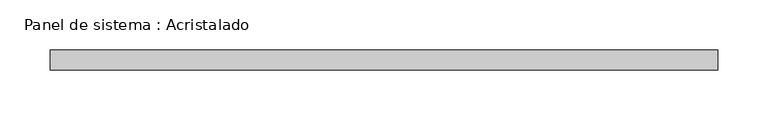
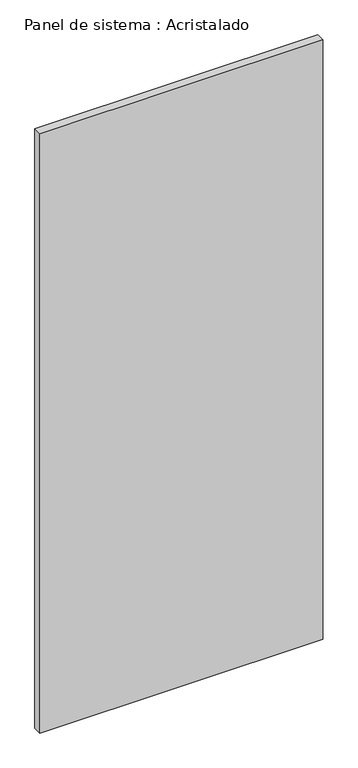
"""IFC4 building model written with IfcOpenShell, lengths in millimetres: plate geometry, Panel de sistema : Acristalado."""

from ifc_helpers import new_model, si_unit, origin, origin_with_axes, place, context, project, spatial, polyline, outline, extrude, source, transform, mapped, element, save


def panel_de_sistema_acristalado_a9873873(model_context):
    return source(origin(), model_context, "Body", "SweptSolid", [
        extrude(outline(polyline([(331.5, -10.0), (-331.5, -10.0), (-331.5, 10.0), (331.5, 10.0), (331.5, -10.0)])), origin_with_axes(), (0.0, 0.0, 1.0), 1484.7728258),
    ])


if __name__ == "__main__":
    model = new_model("IFC4")
    model_context = context("Model", 3, world=origin())
    ifc_project = project(units=[si_unit("LENGTHUNIT", "METRE", prefix="MILLI")], contexts=[model_context])
    site = spatial("IfcSite", under=ifc_project)
    building = spatial("IfcBuilding", under=site)
    placement = place(None, origin())
    panel_de_sistema_acristalado_shape = panel_de_sistema_acristalado_a9873873(model_context)
    element("IfcPlate", 1, ObjectType="Panel de sistema : Acristalado", at=placement, inside=building, context=model_context, shape_type="MappedRepresentation", body=[
        mapped(panel_de_sistema_acristalado_shape, transform((0.0, 0.0, 0.0), x_axis=(1.0, 0.0, 0.0), y_axis=(0.0, 1.0, 0.0), z_axis=(0.0, 0.0, 1.0))),
    ])
    save(model, "model.ifc")
